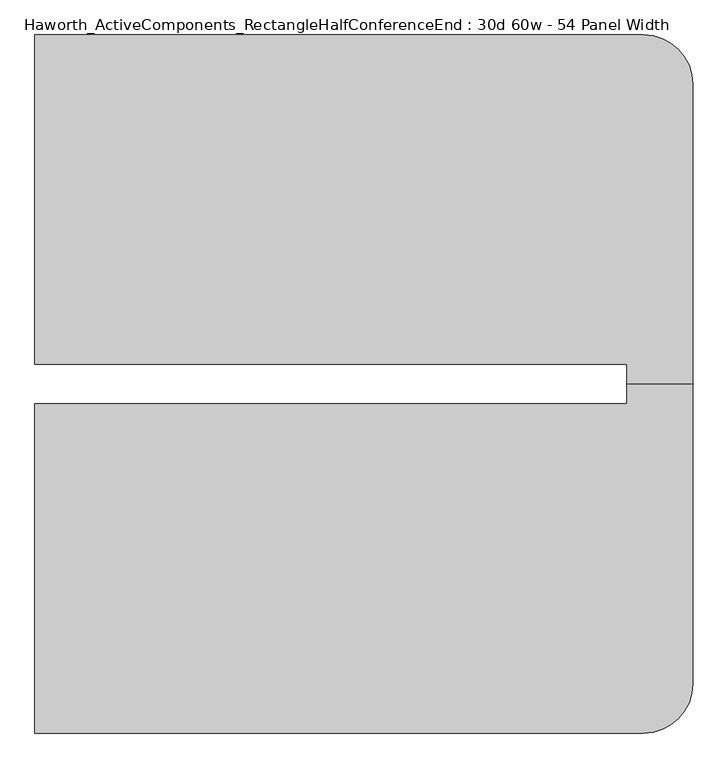
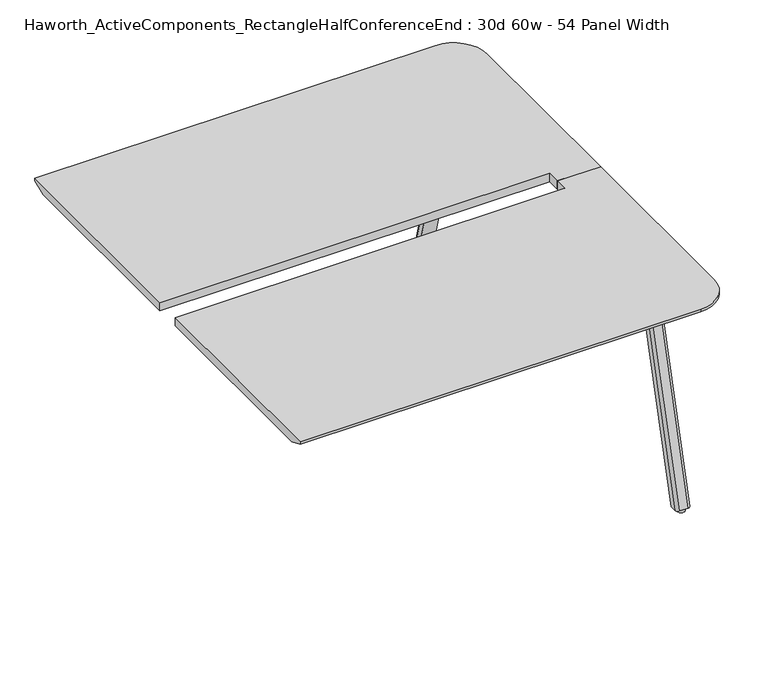
"""IFC4 building model written with IfcOpenShell, lengths in millimetres: furniture geometry, Haworth_ActiveComponents_RectangleHalfConferenceEnd : 30d 60w - 54 Panel Width."""

from ifc_helpers import new_model, si_unit, point, frame, frame_2d, origin, origin_with_axes, place, context, project, spatial, polyline, circle_curve, trimmed, segment, composite_curve, outline, extrude, source, transform, mapped, element, save
from ifc_brep_helpers import plane_surface, cylinder_surface, revolved_surface, extruded_surface, advanced_brep


def haworth_activecomponents_rectanglehalfconferenceend_30d_60w_72c4d4c1(model_context):
    return source(origin(), model_context, "Body", "SolidModel", [
        extrude(outline(composite_curve([segment(polyline([(1056.894, 817.7910641), (948.9440004, 817.7910641)]), True, "CONTINUOUS"), segment(trimmed(circle_curve(frame_2d((948.9440004, 827.3160641)), 9.525), [point((948.9440004, 817.7910641))], [point((939.4190004, 827.3160641))], False, "CARTESIAN"), True, "CONTINUOUS"), segment(polyline([(939.4190004, 827.3160641), (939.4190004, 909.9894335)]), True, "CONTINUOUS"), segment(trimmed(circle_curve(frame_2d((948.9440004, 909.9894335)), 9.525), [point((939.4190004, 909.9894335))], [point((948.9440004, 919.5144335))], False, "CARTESIAN"), True, "CONTINUOUS"), segment(polyline([(948.9440004, 919.5144335), (1056.894, 919.5144335)]), True, "CONTINUOUS"), segment(trimmed(circle_curve(frame_2d((1056.894, 909.9894335)), 9.525), [point((1056.894, 919.5144335))], [point((1066.419, 909.9894335))], False, "CARTESIAN"), True, "CONTINUOUS"), segment(polyline([(1066.419, 909.9894335), (1066.419, 827.3160641)]), True, "CONTINUOUS"), segment(trimmed(circle_curve(frame_2d((1056.894, 827.3160641)), 9.525), [point((1066.419, 827.3160641))], [point((1056.894, 817.7910641))], False, "CARTESIAN"), True, "CONTINUOUS")], self_intersect=False)), frame((0.0, 0.0, 705.2055742), z_axis=(0.0, 0.0, 1.0), x_axis=(1.0, 0.0, 0.0)), (0.0, 0.0, 1.0), 5.9944258),
        advanced_brep(
        [(1050.925, 912.2902734, 705.2055742), (1019.175, 912.2902734, 705.2055742), (1009.65, 902.7652734, 705.2055742), (1009.65, 882.1277734, 705.2055742), (1060.45, 882.1277734, 705.2055742), (1060.45, 902.7652734, 705.2055742), (1050.925, 1098.7785641, 12.7), (1060.45, 1089.2535641, 12.7), (1060.45, 1068.6160641, 12.7), (1009.65, 1068.6160641, 12.7), (1009.65, 1089.2535641, 12.7), (1019.175, 1098.7785641, 12.7)],
        [
            (0, 1),
            (1, 2, circle_curve(frame((1019.175, 902.7652734, 705.2055742), z_axis=(0.0, 0.0, 1.0), x_axis=(1.0, 0.0, 0.0)), 9.525)),
            (2, 3),
            (3, 4),
            (4, 5),
            (5, 0, circle_curve(frame((1050.925, 902.7652734, 705.2055742), z_axis=(0.0, 0.0, 1.0), x_axis=(1.0, 0.0, 0.0)), 9.525)),
            (6, 7, circle_curve(frame((1050.925, 1089.2535641, 12.7), z_axis=(0.0, 0.0, -1.0), x_axis=(1.0, 0.0, 0.0)), 9.525)),
            (7, 8),
            (8, 9),
            (9, 10),
            (10, 11, circle_curve(frame((1019.175, 1089.2535641, 12.7), z_axis=(0.0, 0.0, -1.0), x_axis=(1.0, 0.0, 0.0)), 9.525)),
            (11, 6),
            (6, 0),
            (5, 7),
            (4, 8),
            (3, 9),
            (2, 10),
            (1, 11),
        ],
        [
            plane_surface(frame((1035.05, 899.0611068, 705.2055742), z_axis=(0.0, 0.0, 1.0), x_axis=(-1.0, 0.0, 0.0))),
            plane_surface(frame((1035.05, 1085.5493975, 12.7), z_axis=(0.0, 0.0, -1.0), x_axis=(-1.0, 0.0, 0.0))),
            extruded_surface(trimmed(circle_curve(frame((1050.925, 902.7652734, 705.2055742), z_axis=(0.0, 0.0, -1.0), x_axis=(1.0, 0.0, 0.0)), 9.525), [point((1050.925, 912.2902734, 705.2055742))], [point((1060.45, 902.7652734, 705.2055742))], True, "CARTESIAN"), (0.0, 186.4882907, -692.5055742), 717.1763052878136),
            plane_surface(frame((1060.45, 1078.9348141, 12.7), z_axis=(1.0, 0.0, 0.0), x_axis=(0.0, -1.0, 0.0))),
            plane_surface(frame((1035.05, 1068.6160641, 12.7), z_axis=(0.0, -0.9656001865922422, -0.260031305140414), x_axis=(-1.0, 0.0, 0.0))),
            plane_surface(frame((1009.65, 1078.9348141, 12.7), z_axis=(-1.0, 0.0, 0.0), x_axis=(0.0, 1.0, 0.0))),
            extruded_surface(trimmed(circle_curve(frame((1019.175, 902.7652734, 705.2055742), z_axis=(0.0, 0.0, -1.0), x_axis=(1.0, 0.0, 0.0)), 9.525), [point((1009.65, 902.7652734, 705.2055742))], [point((1019.175, 912.2902734, 705.2055742))], True, "CARTESIAN"), (0.0, 186.4882907, -692.5055742), 717.1763052878136),
            plane_surface(frame((1035.05, 1098.7785641, 12.7), z_axis=(0.0, 0.9656001865922422, 0.260031305140414), x_axis=(1.0, 0.0, 0.0))),
        ],
        [
            (0, [[1, 2, 3, 4, 5, 6]]),
            (1, [[7, 8, 9, 10, 11, 12]]),
            (2, [[13, -6, 14, -7]]),
            (3, [[-14, -5, 15, -8]]),
            (4, [[-15, -4, 16, -9]]),
            (5, [[-16, -3, 17, -10]]),
            (6, [[-17, -2, 18, -11]]),
            (7, [[-18, -1, -13, -12]]),
        ],
    ),
        extrude(outline(composite_curve([segment(trimmed(circle_curve(frame_2d((1035.05, 1082.9035641)), 12.7), [point((1022.35, 1082.9035641))], [point((1047.75, 1082.9035641))], False, "CARTESIAN"), True, "CONTINUOUS"), segment(trimmed(circle_curve(frame_2d((1035.05, 1082.9035641)), 12.7), [point((1047.75, 1082.9035641))], [point((1022.35, 1082.9035641))], False, "CARTESIAN"), True, "CONTINUOUS")], self_intersect=False)), origin_with_axes(), (0.0, 0.0, 1.0), 12.7),
        advanced_brep(
        [(1054.1, 341.5840234, 741.3625), (1054.1, 295.5465234, 741.3625), (1206.5, 295.5465234, 741.3625), (1206.5, 989.2840234, 741.3625), (1092.2, 1103.5840234, 741.3625), (-317.5, 1103.5840234, 741.3625), (-317.5, 341.5840234, 741.3625), (1054.1, 341.5840234, 711.2), (-317.5, 341.5840234, 711.2), (-317.5, 1052.7840234, 711.2), (1092.2, 1052.7840234, 711.2), (1155.7, 989.2840234, 711.2), (1155.7, 295.5465234, 711.2), (1054.1, 295.5465234, 711.2), (-317.5, 1103.5840234, 731.8375), (1092.2, 1103.5840234, 731.8375), (1206.5, 295.5465234, 731.8375), (1206.5, 989.2840234, 731.8375)],
        [
            (0, 1),
            (1, 2),
            (2, 3),
            (3, 4, circle_curve(frame((1092.2, 989.2840234, 741.3625), z_axis=(0.0, 0.0, 1.0), x_axis=(1.0, 0.0, 0.0)), 114.3)),
            (4, 5),
            (5, 6),
            (6, 0),
            (7, 8),
            (8, 9),
            (9, 10),
            (10, 11, circle_curve(frame((1092.2, 989.2840234, 711.2), z_axis=(0.0, 0.0, -1.0), x_axis=(0.0, 1.0, 0.0)), 63.5)),
            (11, 12),
            (12, 13),
            (13, 7),
            (6, 8),
            (7, 0),
            (5, 14),
            (14, 9),
            (4, 15),
            (15, 14),
            (2, 16),
            (16, 17),
            (17, 3),
            (17, 15, circle_curve(frame((1092.2, 989.2840234, 731.8375), z_axis=(0.0, 0.0, 1.0), x_axis=(1.0, 0.0, 0.0)), 114.3)),
            (1, 13),
            (12, 16),
            (15, 10),
            (17, 11),
        ],
        [
            plane_surface(frame((-317.5, 341.5840234, 741.3625), z_axis=(0.0, 0.0, 1.0), x_axis=(-1.0, 0.0, 0.0))),
            plane_surface(frame((-317.5, 341.5840234, 711.2), z_axis=(0.0, 0.0, -1.0), x_axis=(1.0, 0.0, 0.0))),
            plane_surface(frame((1054.1, 341.5840234, 741.3625), z_axis=(0.0, -1.0, 0.0), x_axis=(0.0, 0.0, -1.0))),
            plane_surface(frame((-317.5, 341.5840234, 741.3625), z_axis=(-1.0, 0.0, 0.0), x_axis=(0.0, 0.0, -1.0))),
            plane_surface(frame((-317.5, 1103.5840234, 741.3625), z_axis=(0.0, 1.0, 0.0), x_axis=(0.0, 0.0, -1.0))),
            plane_surface(frame((1206.5, 989.2840234, 741.3625), z_axis=(1.0, 0.0, 0.0), x_axis=(0.0, 0.0, -1.0))),
            cylinder_surface(frame((1092.2, 989.2840234, 711.2), z_axis=(0.0, 0.0, 1.0), x_axis=(1.0, 0.0, 0.0)), 114.3),
            plane_surface(frame((1206.5, 295.5465234, 741.3625), z_axis=(0.0, -1.0, 0.0), x_axis=(0.0, 0.0, -1.0))),
            plane_surface(frame((1054.1, 295.5465234, 741.3625), z_axis=(-1.0, 0.0, 0.0), x_axis=(0.0, 0.0, -1.0))),
            plane_surface(frame((-317.5, 1103.5840234, 731.8375), z_axis=(0.0, 0.3763770469570871, -0.9264665771218423), x_axis=(1.0, 0.0, 0.0))),
            revolved_surface(polyline([(1092.2, 1052.7840234, 711.2), (1092.2, 1103.5840234, 731.8375)]), (1092.2, 989.2840234, 0.0), (0.0, 0.0, 1.0)),
            plane_surface(frame((1206.5, 989.2840234, 731.8375), z_axis=(0.3763770469570871, 0.0, -0.9264665771218423), x_axis=(0.0, -1.0, 0.0))),
        ],
        [
            (0, [[1, 2, 3, 4, 5, 6, 7]]),
            (1, [[8, 9, 10, 11, 12, 13, 14]]),
            (2, [[15, -8, 16, -7]]),
            (3, [[17, 18, -9, -15, -6]]),
            (4, [[19, 20, -17, -5]]),
            (5, [[21, 22, 23, -3]]),
            (6, [[-23, 24, -19, -4]]),
            (7, [[25, -13, 26, -21, -2]]),
            (8, [[-16, -14, -25, -1]]),
            (9, [[-10, -18, -20, 27]]),
            (10, [[-24, 28, -11, -27]]),
            (11, [[-22, -26, -12, -28]]),
        ],
    ),
        extrude(outline(composite_curve([segment(trimmed(circle_curve(frame_2d((1056.894, -236.2230172)), 9.525), [point((1056.894, -226.6980172))], [point((1066.419, -236.2230172))], False, "CARTESIAN"), True, "CONTINUOUS"), segment(polyline([(1066.419, -236.2230172), (1066.419, -318.8963866)]), True, "CONTINUOUS"), segment(trimmed(circle_curve(frame_2d((1056.894, -318.8963866)), 9.525), [point((1066.419, -318.8963866))], [point((1056.894, -328.4213866))], False, "CARTESIAN"), True, "CONTINUOUS"), segment(polyline([(1056.894, -328.4213866), (948.9440004, -328.4213866)]), True, "CONTINUOUS"), segment(trimmed(circle_curve(frame_2d((948.9440004, -318.8963866)), 9.525), [point((948.9440004, -328.4213866))], [point((939.4190004, -318.8963866))], False, "CARTESIAN"), True, "CONTINUOUS"), segment(polyline([(939.4190004, -318.8963866), (939.4190004, -236.2230172)]), True, "CONTINUOUS"), segment(trimmed(circle_curve(frame_2d((948.9440004, -236.2230172)), 9.525), [point((939.4190004, -236.2230172))], [point((948.9440004, -226.6980172))], False, "CARTESIAN"), True, "CONTINUOUS"), segment(polyline([(948.9440004, -226.6980172), (1056.894, -226.6980172)]), True, "CONTINUOUS")], self_intersect=False)), frame((0.0, 0.0, 705.2055742), z_axis=(0.0, 0.0, 1.0), x_axis=(1.0, 0.0, 0.0)), (0.0, 0.0, 1.0), 5.9944258),
        advanced_brep(
        [(1050.925, -321.1972266, 705.2055742), (1060.45, -311.6722266, 705.2055742), (1060.45, -291.0347266, 705.2055742), (1009.65, -291.0347266, 705.2055742), (1009.65, -311.6722266, 705.2055742), (1019.175, -321.1972266, 705.2055742), (1050.925, -507.6855172, 12.7), (1019.175, -507.6855172, 12.7), (1009.65, -498.1605172, 12.7), (1009.65, -477.5230172, 12.7), (1060.45, -477.5230172, 12.7), (1060.45, -498.1605172, 12.7)],
        [
            (0, 1, circle_curve(frame((1050.925, -311.6722266, 705.2055742), z_axis=(0.0, 0.0, 1.0), x_axis=(1.0, 0.0, 0.0)), 9.525)),
            (1, 2),
            (2, 3),
            (3, 4),
            (4, 5, circle_curve(frame((1019.175, -311.6722266, 705.2055742), z_axis=(0.0, 0.0, 1.0), x_axis=(1.0, 0.0, 0.0)), 9.525)),
            (5, 0),
            (6, 7),
            (7, 8, circle_curve(frame((1019.175, -498.1605172, 12.7), z_axis=(0.0, 0.0, -1.0), x_axis=(1.0, 0.0, 0.0)), 9.525)),
            (8, 9),
            (9, 10),
            (10, 11),
            (11, 6, circle_curve(frame((1050.925, -498.1605172, 12.7), z_axis=(0.0, 0.0, -1.0), x_axis=(1.0, 0.0, 0.0)), 9.525)),
            (11, 1),
            (0, 6),
            (10, 2),
            (9, 3),
            (8, 4),
            (7, 5),
        ],
        [
            plane_surface(frame((1035.05, -307.9680599, 705.2055742), z_axis=(0.0, 0.0, 1.0), x_axis=(-1.0, 0.0, 0.0))),
            plane_surface(frame((1035.05, -494.4563506, 12.7), z_axis=(0.0, 0.0, -1.0), x_axis=(-1.0, 0.0, 0.0))),
            extruded_surface(trimmed(circle_curve(frame((1050.925, -498.1605172, 12.7), z_axis=(0.0, 0.0, 1.0), x_axis=(1.0, 0.0, 0.0)), 9.525), [point((1050.925, -507.6855172, 12.7))], [point((1060.45, -498.1605172, 12.7))], True, "CARTESIAN"), (0.0, 186.48829060000003, 692.5055742), 717.1763052618106),
            plane_surface(frame((1060.45, -487.8417672, 12.7), z_axis=(1.0, 0.0, 0.0), x_axis=(0.0, 1.0, 0.0))),
            plane_surface(frame((1035.05, -477.5230172, 12.7), z_axis=(0.0, 0.9656001865922422, -0.260031305140414), x_axis=(-1.0, 0.0, 0.0))),
            plane_surface(frame((1009.65, -487.8417672, 12.7), z_axis=(-1.0, 0.0, 0.0), x_axis=(0.0, -1.0, 0.0))),
            extruded_surface(trimmed(circle_curve(frame((1019.175, -498.1605172, 12.7), z_axis=(0.0, 0.0, 1.0), x_axis=(1.0, 0.0, 0.0)), 9.525), [point((1009.65, -498.1605172, 12.7))], [point((1019.175, -507.6855172, 12.7))], True, "CARTESIAN"), (0.0, 186.48829060000003, 692.5055742), 717.1763052618106),
            plane_surface(frame((1035.05, -507.6855172, 12.7), z_axis=(0.0, -0.9656001865922422, 0.260031305140414), x_axis=(1.0, 0.0, 0.0))),
        ],
        [
            (0, [[1, 2, 3, 4, 5, 6]]),
            (1, [[7, 8, 9, 10, 11, 12]]),
            (2, [[-12, 13, -1, 14]]),
            (3, [[-11, 15, -2, -13]]),
            (4, [[-10, 16, -3, -15]]),
            (5, [[-9, 17, -4, -16]]),
            (6, [[-8, 18, -5, -17]]),
            (7, [[-7, -14, -6, -18]]),
        ],
    ),
        extrude(outline(composite_curve([segment(trimmed(circle_curve(frame_2d((1035.05, -491.8105172)), 12.7), [point((1022.35, -491.8105172))], [point((1047.75, -491.8105172))], False, "CARTESIAN"), True, "CONTINUOUS"), segment(trimmed(circle_curve(frame_2d((1035.05, -491.8105172)), 12.7), [point((1047.75, -491.8105172))], [point((1022.35, -491.8105172))], False, "CARTESIAN"), True, "CONTINUOUS")], self_intersect=False)), origin_with_axes(), (0.0, 0.0, 1.0), 12.7),
        advanced_brep(
        [(1054.1, 249.5090234, 741.3625), (-317.5, 249.5090234, 741.3625), (-317.5, -512.4909766, 741.3625), (1092.2, -512.4909766, 741.3625), (1206.5, -398.1909766, 741.3625), (1206.5, 295.5465234, 741.3625), (1054.1, 295.5465234, 741.3625), (1054.1, 249.5090234, 711.2), (1054.1, 295.5465234, 711.2), (1155.7, 295.5465234, 711.2), (1155.7, -398.1909766, 711.2), (1092.2, -461.6909766, 711.2), (-317.5, -461.6909766, 711.2), (-317.5, 249.5090234, 711.2), (-317.5, -512.4909766, 731.8375), (1092.2, -512.4909766, 731.8375), (1206.5, -398.1909766, 731.8375), (1206.5, 295.5465234, 731.8375)],
        [
            (0, 1),
            (1, 2),
            (2, 3),
            (3, 4, circle_curve(frame((1092.2, -398.1909766, 741.3625), z_axis=(0.0, 0.0, 1.0), x_axis=(1.0, 0.0, 0.0)), 114.3)),
            (4, 5),
            (5, 6),
            (6, 0),
            (7, 8),
            (8, 9),
            (9, 10),
            (10, 11, circle_curve(frame((1092.2, -398.1909766, 711.2), z_axis=(0.0, 0.0, -1.0), x_axis=(0.0, -1.0, 0.0)), 63.5)),
            (11, 12),
            (12, 13),
            (13, 7),
            (0, 7),
            (13, 1),
            (12, 14),
            (14, 2),
            (14, 15),
            (15, 3),
            (4, 16),
            (16, 17),
            (17, 5),
            (15, 16, circle_curve(frame((1092.2, -398.1909766, 731.8375), z_axis=(0.0, 0.0, 1.0), x_axis=(1.0, 0.0, 0.0)), 114.3)),
            (17, 9),
            (8, 6),
            (11, 15),
            (10, 16),
        ],
        [
            plane_surface(frame((-317.5, 249.5090234, 741.3625), z_axis=(0.0, 0.0, 1.0), x_axis=(-1.0, 0.0, 0.0))),
            plane_surface(frame((-317.5, 249.5090234, 711.2), z_axis=(0.0, 0.0, -1.0), x_axis=(1.0, 0.0, 0.0))),
            plane_surface(frame((1054.1, 249.5090234, 741.3625), z_axis=(0.0, 1.0, 0.0), x_axis=(0.0, 0.0, -1.0))),
            plane_surface(frame((-317.5, 249.5090234, 741.3625), z_axis=(-1.0, 0.0, 0.0), x_axis=(0.0, 0.0, -1.0))),
            plane_surface(frame((-317.5, -512.4909766, 741.3625), z_axis=(0.0, -1.0, 0.0), x_axis=(0.0, 0.0, -1.0))),
            plane_surface(frame((1206.5, -398.1909766, 741.3625), z_axis=(1.0, 0.0, 0.0), x_axis=(0.0, 0.0, -1.0))),
            cylinder_surface(frame((1092.2, -398.1909766, 711.2), z_axis=(0.0, 0.0, 1.0), x_axis=(1.0, 0.0, 0.0)), 114.3),
            plane_surface(frame((1206.5, 295.5465234, 741.3625), z_axis=(0.0, 1.0, 0.0), x_axis=(0.0, 0.0, -1.0))),
            plane_surface(frame((1054.1, 295.5465234, 741.3625), z_axis=(-1.0, 0.0, 0.0), x_axis=(0.0, 0.0, -1.0))),
            plane_surface(frame((-317.5, -512.4909766, 731.8375), z_axis=(0.0, -0.3763770469570871, -0.9264665771218423), x_axis=(1.0, 0.0, 0.0))),
            revolved_surface(polyline([(1092.2, -461.6909766, 711.2), (1092.2, -512.4909766, 731.8375)]), (1092.2, -398.1909766, 0.0), (0.0, 0.0, 1.0)),
            plane_surface(frame((1206.5, -398.1909766, 731.8375), z_axis=(0.3763770469570871, 0.0, -0.9264665771218423), x_axis=(0.0, 1.0, 0.0))),
        ],
        [
            (0, [[1, 2, 3, 4, 5, 6, 7]]),
            (1, [[8, 9, 10, 11, 12, 13, 14]]),
            (2, [[-1, 15, -14, 16]]),
            (3, [[-2, -16, -13, 17, 18]]),
            (4, [[-3, -18, 19, 20]]),
            (5, [[-5, 21, 22, 23]]),
            (6, [[-4, -20, 24, -21]]),
            (7, [[-6, -23, 25, -9, 26]]),
            (8, [[-7, -26, -8, -15]]),
            (9, [[27, -19, -17, -12]]),
            (10, [[-27, -11, 28, -24]]),
            (11, [[-28, -10, -25, -22]]),
        ],
    ),
    ])


if __name__ == "__main__":
    model = new_model("IFC4")
    model_context = context("Model", 3, world=origin())
    ifc_project = project(units=[si_unit("LENGTHUNIT", "METRE", prefix="MILLI")], contexts=[model_context])
    site = spatial("IfcSite", under=ifc_project)
    building = spatial("IfcBuilding", under=site)
    placement = place(None, origin())
    haworth_activecomponents_rectanglehalfconferenceend_30d_60w_shape = haworth_activecomponents_rectanglehalfconferenceend_30d_60w_72c4d4c1(model_context)
    element("IfcFurniture", 1, ObjectType="Haworth_ActiveComponents_RectangleHalfConferenceEnd : 30d 60w - 54 Panel Width", at=placement, inside=building, context=model_context, shape_type="MappedRepresentation", body=[
        mapped(haworth_activecomponents_rectanglehalfconferenceend_30d_60w_shape, transform((0.0, 0.0, 0.0), x_axis=(1.0, 0.0, 0.0), y_axis=(0.0, 1.0, 0.0), z_axis=(0.0, 0.0, 1.0))),
    ])
    save(model, "model.ifc")
